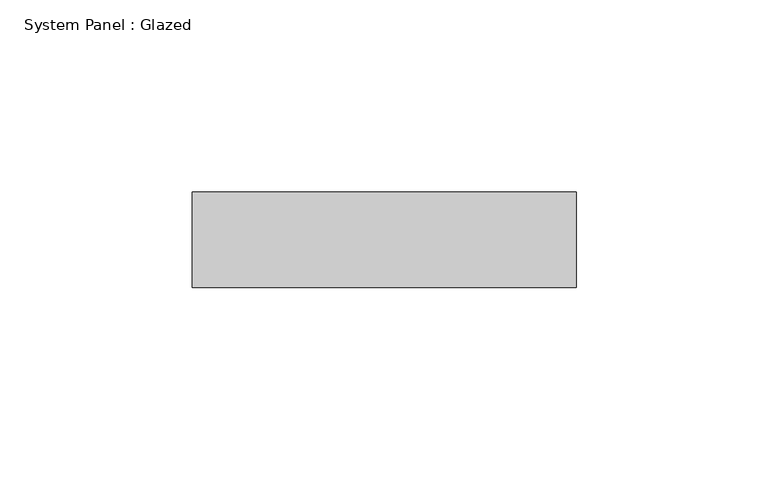
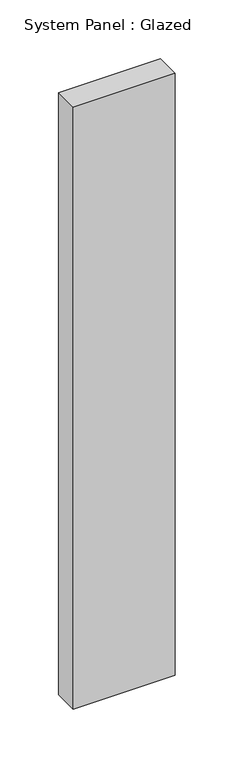
"""IFC4 building model written with IfcOpenShell, lengths in millimetres: plate geometry, System Panel : Glazed."""

from ifc_helpers import new_model, si_unit, origin, origin_with_axes, place, context, project, spatial, polyline, outline, extrude, source, transform, mapped, element, save


def system_panel_glazed_f8323112(model_context):
    return source(origin(), model_context, "Body", "SweptSolid", [
        extrude(outline(polyline([(50.0, -49.5), (-50.0, -49.5), (-50.0, -24.5), (50.0, -24.5), (50.0, -49.5)])), origin_with_axes(), (0.0, 0.0, 1.0), 625.0),
    ])


if __name__ == "__main__":
    model = new_model("IFC4")
    model_context = context("Model", 3, world=origin())
    ifc_project = project(units=[si_unit("LENGTHUNIT", "METRE", prefix="MILLI")], contexts=[model_context])
    site = spatial("IfcSite", under=ifc_project)
    building = spatial("IfcBuilding", under=site)
    placement = place(None, origin())
    system_panel_glazed_shape = system_panel_glazed_f8323112(model_context)
    element("IfcPlate", 1, ObjectType="System Panel : Glazed", at=placement, inside=building, context=model_context, shape_type="MappedRepresentation", body=[
        mapped(system_panel_glazed_shape, transform((0.0, 0.0, 0.0), x_axis=(1.0, 0.0, 0.0), y_axis=(0.0, 1.0, 0.0), z_axis=(0.0, 0.0, 1.0))),
    ])
    save(model, "model.ifc")
